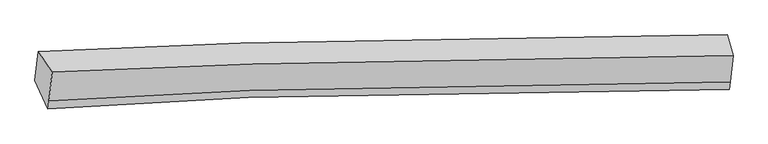
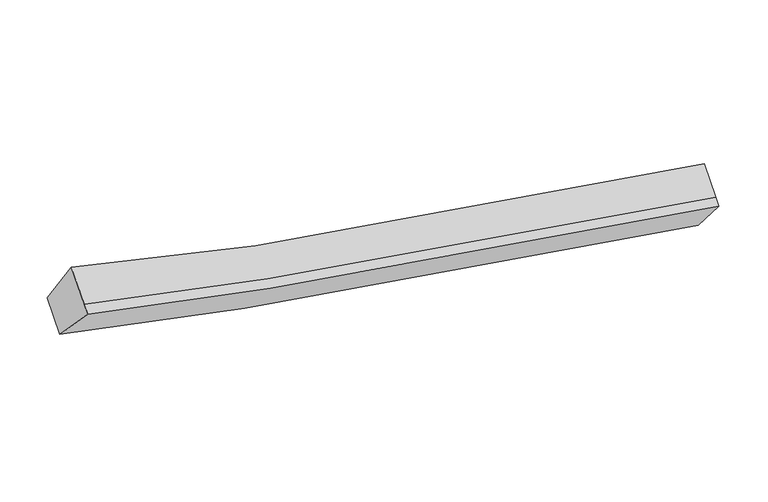
"""IFC4 building model written with IfcOpenShell, lengths in millimetres: proxy geometry."""

from ifc_helpers import new_model, si_unit, frame, origin, place, context, project, spatial, source, transform, mapped, element, save
from ifc_brep_helpers import plane_surface, spline_curve, spline_surface, advanced_brep


def generic_models_028a6b6f(model_context):
    return source(origin(), model_context, "Body", "AdvancedBrep", [
        advanced_brep(
        [(-4017.5282028, -1792.9311508, 3884.8151839), (-3810.5634511, -2094.8512903, 4496.886443), (6266.2543474, -1853.8291872, 2541.863873), (6179.1568259, -1544.178071, 1902.27936), (-3859.7275069, -2527.1500147, 4165.9795921), (6221.9160246, -2243.6953214, 2243.4374205), (-3873.1725932, -2645.3724348, 4075.4852035), (6209.3242648, -2354.4144566, 2158.6864872), (-4066.613201, -2224.5347236, 3554.4404429), (6135.7293446, -1926.0351915, 1609.9834773)],
        [
            (0, 1),
            (1, 2, spline_curve(3, [(-3810.5634511, -2094.8512903, 4496.886443), (-2828.777879741, -2049.043645426, 4225.024370857), (-1841.922586375, -2009.7533869, 3976.379543414), (1493.781616837, -1899.542829145, 3218.298312772), (3865.865589864, -1858.492386601, 2815.268950558), (6266.2543474, -1853.8291872, 2541.863873)], [4, 2, 4], [0.0, 10.087356804233776, 33.9223610281383])),
            (2, 3),
            (3, 0, spline_curve(3, [(6179.1568259, -1544.178071, 1902.27936), (3751.011357419, -1547.486541198, 2178.25748903), (1350.947550276, -1589.406380587, 2586.579704277), (-2024.89555574, -1704.019688789, 3356.064671563), (-3023.726758295, -1745.017543227, 3608.587731436), (-4017.5282028, -1792.9311508, 3884.8151839)], [4, 2, 4], [0.0, 23.83500422390452, 33.9223610281383])),
            (1, 4),
            (4, 5, spline_curve(3, [(-3859.7275069, -2527.1500147, 4165.9795921), (-2875.855021765, -2462.992170029, 3908.163841685), (-1887.391150419, -2409.557714711, 3670.345813322), (1452.113895002, -2265.92641075, 2937.846786076), (3824.197868215, -2224.875968548, 2534.81742371), (6221.9160246, -2243.6953214, 2243.4374205)], [4, 2, 4], [0.0, 10.02626607472964, 33.71692150399637])),
            (5, 2),
            (4, 6),
            (6, 7, spline_curve(3, [(-3873.1725932, -2645.3724348, 4075.4852035), (-2888.931082259, -2577.969754645, 3820.153240711), (-1900.182769242, -2522.034204199, 3584.24969788), (1439.994373943, -2372.493165136, 2856.274328831), (3812.078346571, -2331.442722561, 2453.244966821), (6209.3242648, -2354.4144566, 2158.6864872)], [4, 2, 4], [0.0, 10.025602966920811, 33.714691565774864])),
            (7, 5),
            (6, 8),
            (8, 9, spline_curve(3, [(-4066.613201, -2224.5347236, 3554.4404429), (-3070.365133239, -2155.10799742, 3294.680395506), (-2069.648091584, -2097.527992159, 3054.850288642), (1310.650986348, -1943.733395995, 2315.356982224), (3710.714793958, -1901.813556418, 1907.034767064), (6135.7293446, -1926.0351915, 1609.9834773)], [4, 2, 4], [0.0, 10.085752333153907, 33.91696541774334])),
            (9, 7),
            (8, 0),
            (3, 9),
        ],
        [
            spline_surface(3, 3, [[(-4017.5282028, -1792.9311508, 3884.8151839), (-3023.726758351, -1745.017543144, 3608.587731273), (-2024.895555814, -1704.019688848, 3356.064671656), (1350.947550451, -1589.406380447, 2586.579704056), (3751.011357481, -1547.48654147, 2178.257489042), (6179.1568259, -1544.178071, 1902.27936)], [(-3948.539952246, -1893.571197287, 4088.838936922), (-2958.743798857, -1846.359577277, 3814.066611169), (-1963.904566019, -1805.930921536, 3562.836295588), (1398.558905928, -1692.785196731, 2797.152573593), (3789.296101525, -1651.155156608, 2390.594642752), (6208.189333057, -1647.395109716, 2115.474197652)], [(-3879.551701654, -1994.211243813, 4292.862689978), (-2893.760839326, -1947.701611449, 4019.545491098), (-1902.9135762, -1907.84215417, 3769.607919524), (1446.17026143, -1796.164012962, 3007.725443133), (3827.580845598, -1754.8237718, 2602.931796507), (6237.221840243, -1750.612148484, 2328.669035348)], [(-3810.5634511, -2094.8512903, 4496.886443), (-2828.777879833, -2049.043645582, 4225.024370994), (-1841.922586405, -2009.753386858, 3976.379543457), (1493.781616907, -1899.542829246, 3218.29831267), (3865.865589641, -1858.492386938, 2815.268950217), (6266.2543474, -1853.8291872, 2541.863873)]], [4, 4], [4, 2, 4], [0.0, 2.352045200003132], [0.0, 10.087356804233776, 33.9223610281383]),
            spline_surface(3, 3, [[(-3810.5634511, -2094.8512903, 4496.886443), (-2828.777879833, -2049.043645582, 4225.024370994), (-1841.922586405, -2009.753386858, 3976.379543457), (1493.781616907, -1899.542829246, 3218.29831267), (3865.865589641, -1858.492386938, 2815.268950217), (6266.2543474, -1853.8291872, 2541.863873)], [(-3826.951469685, -2238.9508651, 4386.58415936), (-2844.470260423, -2187.026487072, 4119.404194525), (-1857.078774438, -2143.021496105, 3874.368300143), (1479.892376414, -2021.670689853, 3124.814470404), (3851.976349148, -1980.620247546, 2721.785107951), (6251.474906489, -1983.784565272, 2442.388388825)], [(-3843.339488315, -2383.0504399, 4276.28187574), (-2860.162641059, -2325.009328562, 4013.784018076), (-1872.234962538, -2276.289605337, 3772.357056754), (1466.003135854, -2143.798550444, 3031.330628064), (3838.087108588, -2102.748108137, 2628.301265711), (6236.695465511, -2113.739943328, 2342.912904675)], [(-3859.7275069, -2527.1500147, 4165.9795921), (-2875.85502165, -2462.992170052, 3908.163841607), (-1887.391150571, -2409.557714584, 3670.34581344), (1452.113895361, -2265.926411052, 2937.846785799), (3824.197868095, -2224.875968745, 2534.817423446), (6221.9160246, -2243.6953214, 2243.4374205)]], [4, 4], [4, 2, 4], [0.0, 1.5573805520825335], [0.0, 10.02626607472964, 33.71692150399637]),
            spline_surface(3, 3, [[(-3859.7275069, -2527.1500147, 4165.9795921), (-2875.85502165, -2462.992170052, 3908.163841607), (-1887.391150571, -2409.557714584, 3670.34581344), (1452.113895361, -2265.926411052, 2937.846785799), (3824.197868095, -2224.875968745, 2534.817423446), (6221.9160246, -2243.6953214, 2243.4374205)], [(-3864.209202331, -2566.557488068, 4135.814795909), (-2880.213708562, -2501.318031556, 3878.826974706), (-1891.655023436, -2447.049877761, 3641.647108237), (1448.074054739, -2301.448662433, 2910.655966861), (3820.158027473, -2260.398220126, 2507.626604509), (6217.718771307, -2280.601699786, 2215.187109404)], [(-3868.690897769, -2605.964961432, 4105.649999691), (-2884.572395481, -2539.643893055, 3849.490107777), (-1895.918896222, -2484.542040979, 3612.948403022), (1444.034214198, -2336.970913856, 2883.465147911), (3816.118186932, -2295.920471549, 2480.435785558), (6213.521518093, -2317.508078214, 2186.936798296)], [(-3873.1725932, -2645.3724348, 4075.4852035), (-2888.931082392, -2577.96975456, 3820.153240876), (-1900.182769087, -2522.034204156, 3584.249697819), (1439.994373576, -2372.493165237, 2856.274328973), (3812.07834631, -2331.44272293, 2453.24496662), (6209.3242648, -2354.4144566, 2158.6864872)]], [4, 4], [4, 2, 4], [0.0, 0.44871204400880343], [0.0, 10.025602966920811, 33.714691565774864]),
            spline_surface(3, 3, [[(-3873.1725932, -2645.3724348, 4075.4852035), (-2888.931082392, -2577.96975456, 3820.153240876), (-1900.182769087, -2522.034204156, 3584.249697819), (1439.994373576, -2372.493165237, 2856.274328973), (3812.07834631, -2331.44272293, 2453.24496662), (6209.3242648, -2354.4144566, 2158.6864872)], [(-3937.65279581, -2505.093197729, 3901.803616644), (-2949.409099331, -2437.015835485, 3644.995625803), (-1956.671209939, -2380.532133511, 3407.783228111), (1396.879911275, -2229.573242058, 2675.968546583), (3778.290495443, -2188.233000896, 2271.174900057), (6184.792624753, -2211.621368254, 1975.785483918)], [(-4002.13299839, -2364.813960671, 3728.122029756), (-3009.887116241, -2296.061916423, 3469.838010699), (-2013.159650847, -2239.03006291, 3231.316758491), (1353.765448919, -2086.653318923, 2495.662764282), (3744.502644516, -2045.0232788, 2089.104833441), (6160.260984647, -2068.828279846, 1792.884480582)], [(-4066.613201, -2224.5347236, 3554.4404429), (-3070.36513318, -2155.107997348, 3294.680395626), (-2069.648091698, -2097.527992266, 3054.850288782), (1310.650986618, -1943.733395744, 2315.356981892), (3710.714793648, -1901.813556766, 1907.034766878), (6135.7293446, -1926.0351915, 1609.9834773)]], [4, 4], [4, 2, 4], [0.0, 2.2999525572624497], [0.0, 10.085752333153907, 33.91696541774334]),
            spline_surface(3, 3, [[(-4066.613201, -2224.5347236, 3554.4404429), (-3070.36513318, -2155.107997348, 3294.680395626), (-2069.648091698, -2097.527992266, 3054.850288782), (1310.650986618, -1943.733395744, 2315.356981892), (3710.714793648, -1901.813556766, 1907.034766878), (6135.7293446, -1926.0351915, 1609.9834773)], [(-4050.251534929, -2080.666866016, 3664.565356564), (-3054.819008233, -2018.411179296, 3399.316174173), (-2054.730579743, -1966.358557799, 3155.255083075), (1324.083174556, -1825.624390651, 2405.764555948), (3724.146981587, -1783.704551673, 1997.442340934), (6150.205171694, -1798.749484673, 1707.415438201)], [(-4033.889868871, -1936.799008384, 3774.690270236), (-3039.272883299, -1881.714361196, 3503.951952726), (-2039.813067769, -1835.189123315, 3255.659877363), (1337.515362512, -1707.51538554, 2496.17213), (3737.579169543, -1665.595546563, 2087.849914986), (6164.680998806, -1671.463777827, 1804.847399099)], [(-4017.5282028, -1792.9311508, 3884.8151839), (-3023.726758351, -1745.017543144, 3608.587731273), (-2024.895555814, -1704.019688848, 3356.064671656), (1350.947550451, -1589.406380447, 2586.579704056), (3751.011357481, -1547.48654147, 2178.257489042), (6179.1568259, -1544.178071, 1902.27936)]], [4, 4], [4, 2, 4], [0.0, 1.513817411670574], [0.0, 10.146556955820435, 34.12144280486302]),
            plane_surface(frame((6197.6161957, -1919.6142266, 2053.2032994), z_axis=(0.990382298179064, -0.006856105901451873, -0.13818790564092104), x_axis=(-0.10513560019982522, 0.611970378626923, -0.7838614426375641))),
            plane_surface(frame((-3941.969362, -2189.4223999, 4002.9068183), z_axis=(-0.9565134601568297, -0.10075174079225087, 0.2737354329752363), x_axis=(-0.08994114199952095, -0.7908509654131839, -0.6053638091931638))),
        ],
        [
            (0, [[1, 2, 3, 4]]),
            (1, [[5, 6, 7, -2]]),
            (2, [[8, 9, 10, -6]]),
            (3, [[11, 12, 13, -9]]),
            (4, [[14, -4, 15, -12]]),
            (5, [[-13, -15, -3, -7, -10]]),
            (6, [[-14, -11, -8, -5, -1]]),
        ],
    ),
    ])


if __name__ == "__main__":
    model = new_model("IFC4")
    model_context = context("Model", 3, world=origin())
    ifc_project = project(units=[si_unit("LENGTHUNIT", "METRE", prefix="MILLI")], contexts=[model_context])
    site = spatial("IfcSite", under=ifc_project)
    building = spatial("IfcBuilding", under=site)
    placement = place(None, origin())
    generic_models_shape = generic_models_028a6b6f(model_context)
    element("IfcBuildingElementProxy", 1, Name="Generic Models", at=placement, inside=building, context=model_context, shape_type="MappedRepresentation", body=[
        mapped(generic_models_shape, transform((0.0, 0.0, 0.0), x_axis=(1.0, 0.0, 0.0), y_axis=(0.0, 1.0, 0.0), z_axis=(0.0, 0.0, 1.0))),
    ])
    save(model, "model.ifc")
